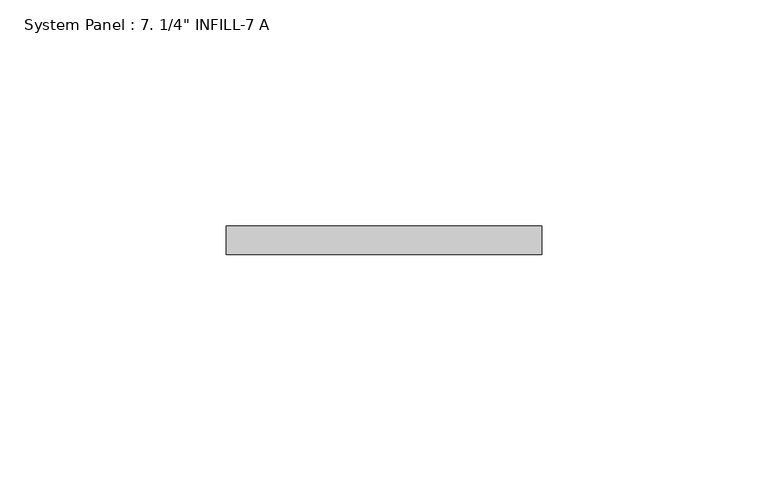
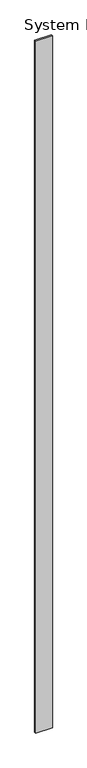
"""IFC4 building model written with IfcOpenShell, lengths in millimetres: plate geometry."""

import ifcopenshell
import ifcopenshell.guid

model = None  # the IFC model being written
_history = None  # IfcOwnerHistory: only IFC2X3 demands one
_inside = {}  # id of a spatial element -> (the spatial element, [elements in it])
_under = {}  # id of a project, library or spatial element -> (it, [spatial elements below it])
_declared = {}  # id of a project -> (the project, [libraries it declares])
_typed = {}  # id of a type object -> (the type object, [elements of that type])
_made_of = {}  # id of a material, layer set ... -> (it, [elements and type objects made of it])


def new_model(schema):
    """Start an empty IFC model of exactly this schema.

    Asked for "IFC4X3", IfcOpenShell would pick the latest addendum, in which some entities
    have other attributes; the version numbers below select the first issue.
    IFC2X3 requires an IfcOwnerHistory on every rooted entity: one is made here for all.
    """
    global model, _history
    if schema == "IFC4X3":
        model = ifcopenshell.file(schema_version=(4, 3, 0, 0))
    else:
        model = ifcopenshell.file(schema=schema)
    _inside.clear()
    _under.clear()
    _declared.clear()
    _typed.clear()
    _made_of.clear()
    _history = None
    if model.schema == "IFC2X3":
        org = make("IfcOrganization", Name="unknown")
        user = make(
            "IfcPersonAndOrganization",
            ThePerson=make("IfcPerson", FamilyName="unknown"),
            TheOrganization=org,
        )
        app = make(
            "IfcApplication",
            ApplicationDeveloper=org,
            Version="unknown",
            ApplicationFullName="unknown",
            ApplicationIdentifier="unknown",
        )
        _history = make(
            "IfcOwnerHistory",
            OwningUser=user,
            OwningApplication=app,
            ChangeAction="ADDED",
            CreationDate=0,
        )
    return model


def make(cls, **values):
    """One entity of the class cls with the attributes given. An attribute that is None is left unset."""
    return model.create_entity(
        cls, **{name: value for name, value in values.items() if value is not None}
    )


def rooted(cls, **values):
    """An entity with a GlobalId (a new one), such as an element, a storey or a relation."""
    return make(cls, GlobalId=ifcopenshell.guid.new(), OwnerHistory=_history, **values)


def si_unit(unit_type, name, prefix=None):
    """IfcSIUnit, for example si_unit("LENGTHUNIT", "METRE", prefix="MILLI")."""
    return make("IfcSIUnit", UnitType=unit_type, Prefix=prefix, Name=name)


def assignment(units):
    """IfcUnitAssignment: the units of a project."""
    return None if units is None else make("IfcUnitAssignment", Units=units)


def point(xyz):
    """IfcCartesianPoint."""
    return None if xyz is None else make("IfcCartesianPoint", Coordinates=xyz)


def direction(xyz):
    """IfcDirection."""
    return None if xyz is None else make("IfcDirection", DirectionRatios=xyz)


def frame(location, z_axis=None, x_axis=None):
    """IfcAxis2Placement3D, a coordinate frame: its origin and axes. An axis left out is left unset."""
    return make(
        "IfcAxis2Placement3D",
        Location=point(location),
        Axis=direction(z_axis),
        RefDirection=direction(x_axis),
    )


def origin():
    """The frame at (0, 0, 0) with its axes left unset."""
    return frame((0.0, 0.0, 0.0))


def origin_with_axes():
    """The frame at (0, 0, 0) with the z axis (0, 0, 1) and the x axis (1, 0, 0) written out."""
    return frame((0.0, 0.0, 0.0), z_axis=(0.0, 0.0, 1.0), x_axis=(1.0, 0.0, 0.0))


def place(relative_to, where):
    """IfcLocalPlacement: puts the frame where relative to a parent placement (None: the world)."""
    return make(
        "IfcLocalPlacement", PlacementRelTo=relative_to, RelativePlacement=where
    )


def context(
    kind, dimensions, precision=None, world=None, true_north=None, identifier=None
):
    """IfcGeometricRepresentationContext, for example the 3D "Model" context."""
    return make(
        "IfcGeometricRepresentationContext",
        ContextIdentifier=identifier,
        ContextType=kind,
        CoordinateSpaceDimension=dimensions,
        Precision=precision,
        WorldCoordinateSystem=world,
        TrueNorth=true_north,
    )


def project(units=None, contexts=None):
    """IfcProject with its units and contexts."""
    return rooted(
        "IfcProject",
        Name="project",
        RepresentationContexts=contexts,
        UnitsInContext=assignment(units),
    )


def spatial(cls, under=None, at=None, **own):
    """A site, building, storey or space (cls), placed at a placement, below another one or the project."""
    s = rooted(cls, ObjectPlacement=at, **own)
    if under is not None:
        _under.setdefault(under.id(), (under, []))[1].append(s)
    return s


def polyline(points):
    """IfcPolyline through the points."""
    return make("IfcPolyline", Points=[point(p) for p in points])


def outline(outer, holes=None, kind="AREA"):
    """IfcArbitraryClosedProfileDef: a profile drawn as a closed curve; with holes, ...WithVoids."""
    if holes is None:
        return make("IfcArbitraryClosedProfileDef", ProfileType=kind, OuterCurve=outer)
    return make(
        "IfcArbitraryProfileDefWithVoids",
        ProfileType=kind,
        OuterCurve=outer,
        InnerCurves=holes,
    )


def extrude(swept, where, along, depth):
    """IfcExtrudedAreaSolid: the profile swept, set in the frame where, extruded along a direction by depth."""
    return make(
        "IfcExtrudedAreaSolid",
        SweptArea=swept,
        Position=where,
        ExtrudedDirection=direction(along),
        Depth=depth,
    )


def shape(context_of_items, identifier, shape_type, items):
    """IfcShapeRepresentation: the items that make up one representation, for example the "Body"."""
    return make(
        "IfcShapeRepresentation",
        ContextOfItems=context_of_items,
        RepresentationIdentifier=identifier,
        RepresentationType=shape_type,
        Items=items,
    )


def source(mapping_origin, context_of_items, identifier, shape_type, items):
    """IfcRepresentationMap: a shape defined once, which mapped items show again and again."""
    return make(
        "IfcRepresentationMap",
        MappingOrigin=mapping_origin,
        MappedRepresentation=shape(context_of_items, identifier, shape_type, items),
    )


def transform(
    local_origin,
    x_axis=None,
    y_axis=None,
    z_axis=None,
    scale=None,
    scale2=None,
    scale3=None,
    uniform=True,
):
    """IfcCartesianTransformationOperator3D, or its non-uniform kind. x_axis, y_axis, z_axis: its Axis1, 2, 3."""
    if uniform:
        return make(
            "IfcCartesianTransformationOperator3D",
            Axis1=direction(x_axis),
            Axis2=direction(y_axis),
            LocalOrigin=point(local_origin),
            Scale=scale,
            Axis3=direction(z_axis),
        )
    return make(
        "IfcCartesianTransformationOperator3DnonUniform",
        Axis1=direction(x_axis),
        Axis2=direction(y_axis),
        LocalOrigin=point(local_origin),
        Scale=scale,
        Axis3=direction(z_axis),
        Scale2=scale2,
        Scale3=scale3,
    )


def mapped(mapping_source, mapping_target):
    """IfcMappedItem: shows the shape of a source again, moved by a transform."""
    return make(
        "IfcMappedItem", MappingSource=mapping_source, MappingTarget=mapping_target
    )


def made_of(thing, what):
    """Note that an element or type object is made of a material, layer set ...; save() writes the relation."""
    if what is not None:
        _made_of.setdefault(what.id(), (what, []))[1].append(thing)
    return thing


def element(
    cls,
    number,
    at=None,
    inside=None,
    cuts=None,
    type_object=None,
    material=None,
    context=None,
    identifier="Body",
    shape_type=None,
    held_by="IfcProductDefinitionShape",
    body=None,
    shapes=None,
    **own,
):
    """One element of the class cls, such as IfcWall. Its Tag is "e" and its number.

    at: its placement. inside: the storey or other place that contains it. cuts: it is an
    opening in that element (IfcRelVoidsElement). A single representation is given by context,
    identifier, shape_type and body (its items); several are given by shapes. held_by: the class
    of the entity that holds the representations. save() writes the other relations.
    """
    e = rooted(cls, Tag="e%d" % number, ObjectPlacement=at, **own)
    if body is not None:
        shapes = [shape(context, identifier, shape_type, body)]
    if shapes is not None:
        e.Representation = make(held_by, Representations=shapes)
    if inside is not None:
        _inside.setdefault(inside.id(), (inside, []))[1].append(e)
    if cuts is not None:
        rooted(
            "IfcRelVoidsElement", RelatingBuildingElement=cuts, RelatedOpeningElement=e
        )
    if type_object is not None:
        _typed.setdefault(type_object.id(), (type_object, []))[1].append(e)
    return made_of(e, material)


def aggregate(whole, parts):
    """IfcRelAggregates: a whole, such as a stair, and the parts it consists of."""
    return rooted("IfcRelAggregates", RelatingObject=whole, RelatedObjects=parts)


def save(model, path):
    """Write the relations noted so far, then the file.

    IfcRelAggregates (storeys below a building ...), IfcRelContainedInSpatialStructure (elements
    in a storey), IfcRelDefinesByType, IfcRelAssociatesMaterial and IfcRelDeclares: one each for
    every whole, place, type object, material and project.
    """
    for whole, parts in _under.values():
        aggregate(whole, parts)
    for where, things in _inside.values():
        rooted(
            "IfcRelContainedInSpatialStructure",
            RelatedElements=things,
            RelatingStructure=where,
        )
    for kind, things in _typed.values():
        rooted("IfcRelDefinesByType", RelatedObjects=things, RelatingType=kind)
    for what, things in _made_of.values():
        rooted("IfcRelAssociatesMaterial", RelatedObjects=things, RelatingMaterial=what)
    for by, libraries in _declared.values():
        rooted("IfcRelDeclares", RelatingContext=by, RelatedDefinitions=libraries)
    model.write(path)


def plate_ee1736b7(model_context):
    return source(origin(), model_context, "Body", "SweptSolid", [
        extrude(outline(polyline([(34.925, -6.4492188), (-34.925, -6.4492188), (-34.925, -0.0992188), (34.925, -0.0992188), (34.925, -6.4492188)])), origin_with_axes(), (0.0, 0.0, 1.0), 3048.0),
    ])


if __name__ == "__main__":
    model = new_model("IFC4")
    model_context = context("Model", 3, world=origin())
    ifc_project = project(units=[si_unit("LENGTHUNIT", "METRE", prefix="MILLI")], contexts=[model_context])
    site = spatial("IfcSite", under=ifc_project)
    building = spatial("IfcBuilding", under=site)
    placement = place(None, origin())
    plate_shape = plate_ee1736b7(model_context)
    element("IfcPlate", 1, ObjectType="System Panel : 7. 1/4\" INFILL-7 A", at=placement, inside=building, context=model_context, shape_type="MappedRepresentation", body=[
        mapped(plate_shape, transform((0.0, 0.0, 0.0), x_axis=(1.0, 0.0, 0.0), y_axis=(0.0, 1.0, 0.0), z_axis=(0.0, 0.0, 1.0))),
    ])
    save(model, "model.ifc")
